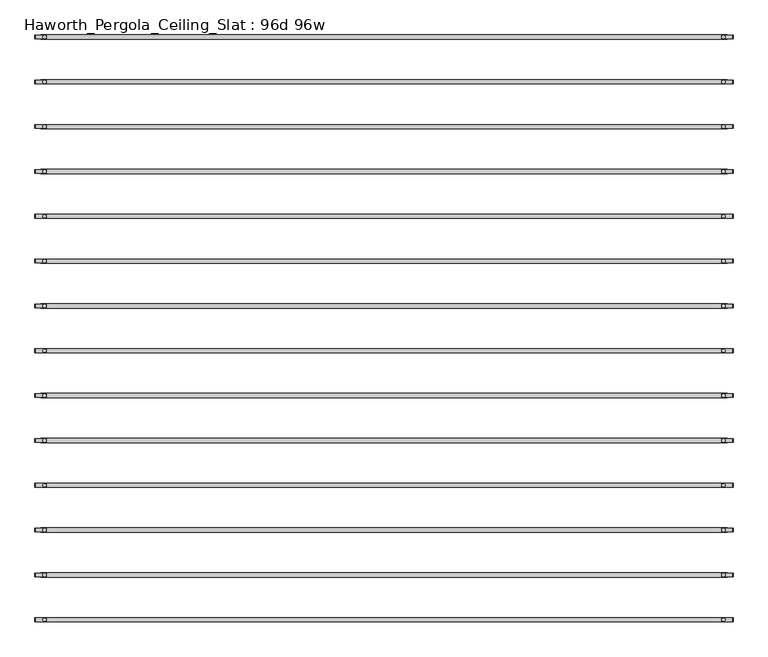
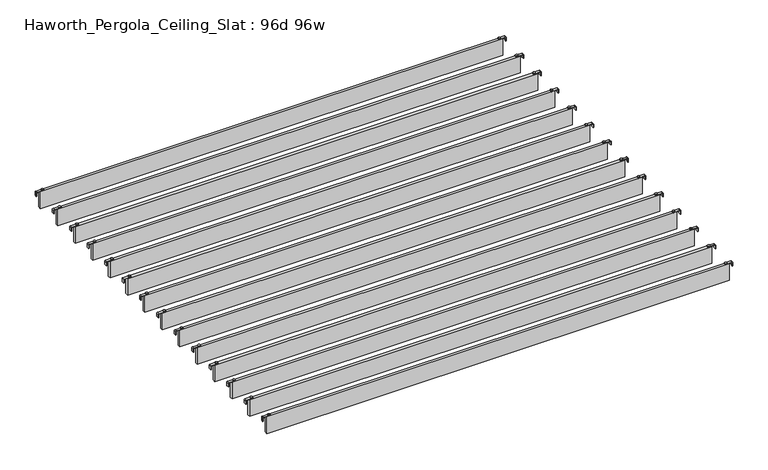
"""IFC4 building model written with IfcOpenShell, lengths in millimetres: furniture geometry, Haworth_Pergola_Ceiling_Slat : 96d 96w."""

import ifcopenshell
import ifcopenshell.guid

model = None  # the IFC model being written
_history = None  # IfcOwnerHistory: only IFC2X3 demands one
_inside = {}  # id of a spatial element -> (the spatial element, [elements in it])
_under = {}  # id of a project, library or spatial element -> (it, [spatial elements below it])
_declared = {}  # id of a project -> (the project, [libraries it declares])
_typed = {}  # id of a type object -> (the type object, [elements of that type])
_made_of = {}  # id of a material, layer set ... -> (it, [elements and type objects made of it])


def new_model(schema):
    """Start an empty IFC model of exactly this schema.

    Asked for "IFC4X3", IfcOpenShell would pick the latest addendum, in which some entities
    have other attributes; the version numbers below select the first issue.
    IFC2X3 requires an IfcOwnerHistory on every rooted entity: one is made here for all.
    """
    global model, _history
    if schema == "IFC4X3":
        model = ifcopenshell.file(schema_version=(4, 3, 0, 0))
    else:
        model = ifcopenshell.file(schema=schema)
    _inside.clear()
    _under.clear()
    _declared.clear()
    _typed.clear()
    _made_of.clear()
    _history = None
    if model.schema == "IFC2X3":
        org = make("IfcOrganization", Name="unknown")
        user = make(
            "IfcPersonAndOrganization",
            ThePerson=make("IfcPerson", FamilyName="unknown"),
            TheOrganization=org,
        )
        app = make(
            "IfcApplication",
            ApplicationDeveloper=org,
            Version="unknown",
            ApplicationFullName="unknown",
            ApplicationIdentifier="unknown",
        )
        _history = make(
            "IfcOwnerHistory",
            OwningUser=user,
            OwningApplication=app,
            ChangeAction="ADDED",
            CreationDate=0,
        )
    return model


def make(cls, **values):
    """One entity of the class cls with the attributes given. An attribute that is None is left unset."""
    return model.create_entity(
        cls, **{name: value for name, value in values.items() if value is not None}
    )


def rooted(cls, **values):
    """An entity with a GlobalId (a new one), such as an element, a storey or a relation."""
    return make(cls, GlobalId=ifcopenshell.guid.new(), OwnerHistory=_history, **values)


def si_unit(unit_type, name, prefix=None):
    """IfcSIUnit, for example si_unit("LENGTHUNIT", "METRE", prefix="MILLI")."""
    return make("IfcSIUnit", UnitType=unit_type, Prefix=prefix, Name=name)


def assignment(units):
    """IfcUnitAssignment: the units of a project."""
    return None if units is None else make("IfcUnitAssignment", Units=units)


def point(xyz):
    """IfcCartesianPoint."""
    return None if xyz is None else make("IfcCartesianPoint", Coordinates=xyz)


def direction(xyz):
    """IfcDirection."""
    return None if xyz is None else make("IfcDirection", DirectionRatios=xyz)


def frame(location, z_axis=None, x_axis=None):
    """IfcAxis2Placement3D, a coordinate frame: its origin and axes. An axis left out is left unset."""
    return make(
        "IfcAxis2Placement3D",
        Location=point(location),
        Axis=direction(z_axis),
        RefDirection=direction(x_axis),
    )


def frame_2d(location, x_axis=None):
    """IfcAxis2Placement2D, a coordinate frame in the plane: its origin and x axis."""
    return make(
        "IfcAxis2Placement2D", Location=point(location), RefDirection=direction(x_axis)
    )


def origin():
    """The frame at (0, 0, 0) with its axes left unset."""
    return frame((0.0, 0.0, 0.0))


def place(relative_to, where):
    """IfcLocalPlacement: puts the frame where relative to a parent placement (None: the world)."""
    return make(
        "IfcLocalPlacement", PlacementRelTo=relative_to, RelativePlacement=where
    )


def context(
    kind, dimensions, precision=None, world=None, true_north=None, identifier=None
):
    """IfcGeometricRepresentationContext, for example the 3D "Model" context."""
    return make(
        "IfcGeometricRepresentationContext",
        ContextIdentifier=identifier,
        ContextType=kind,
        CoordinateSpaceDimension=dimensions,
        Precision=precision,
        WorldCoordinateSystem=world,
        TrueNorth=true_north,
    )


def project(units=None, contexts=None):
    """IfcProject with its units and contexts."""
    return rooted(
        "IfcProject",
        Name="project",
        RepresentationContexts=contexts,
        UnitsInContext=assignment(units),
    )


def spatial(cls, under=None, at=None, **own):
    """A site, building, storey or space (cls), placed at a placement, below another one or the project."""
    s = rooted(cls, ObjectPlacement=at, **own)
    if under is not None:
        _under.setdefault(under.id(), (under, []))[1].append(s)
    return s


def polyline(points):
    """IfcPolyline through the points."""
    return make("IfcPolyline", Points=[point(p) for p in points])


def circle_curve(where, radius):
    """IfcCircle in the frame where."""
    return make("IfcCircle", Position=where, Radius=radius)


def trimmed(basis, trim1, trim2, sense, master):
    """IfcTrimmedCurve: the piece of a basis curve between two trims."""
    return make(
        "IfcTrimmedCurve",
        BasisCurve=basis,
        Trim1=trim1,
        Trim2=trim2,
        SenseAgreement=sense,
        MasterRepresentation=master,
    )


def segment(curve, same_sense, transition):
    """IfcCompositeCurveSegment."""
    return make(
        "IfcCompositeCurveSegment",
        Transition=transition,
        SameSense=same_sense,
        ParentCurve=curve,
    )


def composite_curve(segments, self_intersect=None):
    """IfcCompositeCurve: segments joined end to end."""
    return make("IfcCompositeCurve", Segments=segments, SelfIntersect=self_intersect)


def outline(outer, holes=None, kind="AREA"):
    """IfcArbitraryClosedProfileDef: a profile drawn as a closed curve; with holes, ...WithVoids."""
    if holes is None:
        return make("IfcArbitraryClosedProfileDef", ProfileType=kind, OuterCurve=outer)
    return make(
        "IfcArbitraryProfileDefWithVoids",
        ProfileType=kind,
        OuterCurve=outer,
        InnerCurves=holes,
    )


def extrude(swept, where, along, depth):
    """IfcExtrudedAreaSolid: the profile swept, set in the frame where, extruded along a direction by depth."""
    return make(
        "IfcExtrudedAreaSolid",
        SweptArea=swept,
        Position=where,
        ExtrudedDirection=direction(along),
        Depth=depth,
    )


def shape(context_of_items, identifier, shape_type, items):
    """IfcShapeRepresentation: the items that make up one representation, for example the "Body"."""
    return make(
        "IfcShapeRepresentation",
        ContextOfItems=context_of_items,
        RepresentationIdentifier=identifier,
        RepresentationType=shape_type,
        Items=items,
    )


def source(mapping_origin, context_of_items, identifier, shape_type, items):
    """IfcRepresentationMap: a shape defined once, which mapped items show again and again."""
    return make(
        "IfcRepresentationMap",
        MappingOrigin=mapping_origin,
        MappedRepresentation=shape(context_of_items, identifier, shape_type, items),
    )


def transform(
    local_origin,
    x_axis=None,
    y_axis=None,
    z_axis=None,
    scale=None,
    scale2=None,
    scale3=None,
    uniform=True,
):
    """IfcCartesianTransformationOperator3D, or its non-uniform kind. x_axis, y_axis, z_axis: its Axis1, 2, 3."""
    if uniform:
        return make(
            "IfcCartesianTransformationOperator3D",
            Axis1=direction(x_axis),
            Axis2=direction(y_axis),
            LocalOrigin=point(local_origin),
            Scale=scale,
            Axis3=direction(z_axis),
        )
    return make(
        "IfcCartesianTransformationOperator3DnonUniform",
        Axis1=direction(x_axis),
        Axis2=direction(y_axis),
        LocalOrigin=point(local_origin),
        Scale=scale,
        Axis3=direction(z_axis),
        Scale2=scale2,
        Scale3=scale3,
    )


def mapped(mapping_source, mapping_target):
    """IfcMappedItem: shows the shape of a source again, moved by a transform."""
    return make(
        "IfcMappedItem", MappingSource=mapping_source, MappingTarget=mapping_target
    )


def made_of(thing, what):
    """Note that an element or type object is made of a material, layer set ...; save() writes the relation."""
    if what is not None:
        _made_of.setdefault(what.id(), (what, []))[1].append(thing)
    return thing


def element(
    cls,
    number,
    at=None,
    inside=None,
    cuts=None,
    type_object=None,
    material=None,
    context=None,
    identifier="Body",
    shape_type=None,
    held_by="IfcProductDefinitionShape",
    body=None,
    shapes=None,
    **own,
):
    """One element of the class cls, such as IfcWall. Its Tag is "e" and its number.

    at: its placement. inside: the storey or other place that contains it. cuts: it is an
    opening in that element (IfcRelVoidsElement). A single representation is given by context,
    identifier, shape_type and body (its items); several are given by shapes. held_by: the class
    of the entity that holds the representations. save() writes the other relations.
    """
    e = rooted(cls, Tag="e%d" % number, ObjectPlacement=at, **own)
    if body is not None:
        shapes = [shape(context, identifier, shape_type, body)]
    if shapes is not None:
        e.Representation = make(held_by, Representations=shapes)
    if inside is not None:
        _inside.setdefault(inside.id(), (inside, []))[1].append(e)
    if cuts is not None:
        rooted(
            "IfcRelVoidsElement", RelatingBuildingElement=cuts, RelatedOpeningElement=e
        )
    if type_object is not None:
        _typed.setdefault(type_object.id(), (type_object, []))[1].append(e)
    return made_of(e, material)


def aggregate(whole, parts):
    """IfcRelAggregates: a whole, such as a stair, and the parts it consists of."""
    return rooted("IfcRelAggregates", RelatingObject=whole, RelatedObjects=parts)


def save(model, path):
    """Write the relations noted so far, then the file.

    IfcRelAggregates (storeys below a building ...), IfcRelContainedInSpatialStructure (elements
    in a storey), IfcRelDefinesByType, IfcRelAssociatesMaterial and IfcRelDeclares: one each for
    every whole, place, type object, material and project.
    """
    for whole, parts in _under.values():
        aggregate(whole, parts)
    for where, things in _inside.values():
        rooted(
            "IfcRelContainedInSpatialStructure",
            RelatedElements=things,
            RelatingStructure=where,
        )
    for kind, things in _typed.values():
        rooted("IfcRelDefinesByType", RelatedObjects=things, RelatingType=kind)
    for what, things in _made_of.values():
        rooted("IfcRelAssociatesMaterial", RelatedObjects=things, RelatingMaterial=what)
    for by, libraries in _declared.values():
        rooted("IfcRelDeclares", RelatingContext=by, RelatedDefinitions=libraries)
    model.write(path)


def haworth_pergola_ceiling_slat_96d_96w_e976ed0a(model_context):
    return source(origin(), model_context, "Body", "SweptSolid", [
        extrude(outline(composite_curve([segment(trimmed(circle_curve(frame_2d((1243.6, -304.0803333)), 5.9838099), [point((1237.6161901, -304.0803333))], [point((1249.5838099, -304.0803333))], False, "CARTESIAN"), True, "CONTINUOUS"), segment(trimmed(circle_curve(frame_2d((1243.6, -304.0803333)), 5.9838099), [point((1249.5838099, -304.0803333))], [point((1237.6161901, -304.0803333))], False, "CARTESIAN"), True, "CONTINUOUS")], self_intersect=False)), frame((0.0, 0.0, 2440.9329992), z_axis=(0.0, 0.0, 1.0), x_axis=(1.0, 0.0, 0.0)), (0.0, 0.0, 1.0), 3.4400008),
        extrude(outline(composite_curve([segment(trimmed(circle_curve(frame_2d((-1167.4, -304.0803333)), 5.9838099), [point((-1161.4161901, -304.0803333))], [point((-1173.3838099, -304.0803333))], False, "CARTESIAN"), True, "CONTINUOUS"), segment(trimmed(circle_curve(frame_2d((-1167.4, -304.0803333)), 5.9838099), [point((-1173.3838099, -304.0803333))], [point((-1161.4161901, -304.0803333))], False, "CARTESIAN"), True, "CONTINUOUS")], self_intersect=False)), frame((0.0, 0.0, 2440.9329992), z_axis=(0.0, 0.0, 1.0), x_axis=(1.0, 0.0, 0.0)), (0.0, 0.0, 1.0), 3.4400008),
        extrude(outline(composite_curve([segment(polyline([(2419.2231711, 1277.76), (2437.2499992, 1277.76)]), True, "CONTINUOUS"), segment(trimmed(circle_curve(frame_2d((2437.2499992, 1274.077)), 3.683), [point((2437.2499992, 1277.76))], [point((2440.9329992, 1274.077))], False, "CARTESIAN"), True, "CONTINUOUS"), segment(polyline([(2440.9329992, 1274.077), (2440.9329992, 1237.1), (2438.2729997, 1237.1), (2438.2729997, 1274.0905568)]), True, "CONTINUOUS"), segment(trimmed(circle_curve(frame_2d((2437.2635571, 1274.0905568)), 1.0094425), [point((2438.2729997, 1274.0905568))], [point((2437.2635571, 1275.0999993))], True, "CARTESIAN"), True, "CONTINUOUS"), segment(polyline([(2437.2635571, 1275.0999993), (2419.2231711, 1275.0999993), (2419.2231711, 1277.76)]), True, "CONTINUOUS")], self_intersect=False)), frame((0.0, -310.5733337, 0.0), z_axis=(0.0, 1.0, 0.0), x_axis=(0.0, 0.0, 1.0)), (0.0, 0.0, 1.0), 13.0),
        extrude(outline(composite_curve([segment(polyline([(2419.2231711, -1201.56), (2419.2231711, -1198.8999993), (2437.2635571, -1198.8999993)]), True, "CONTINUOUS"), segment(trimmed(circle_curve(frame_2d((2437.2635571, -1197.8905568)), 1.0094425), [point((2437.2635571, -1198.8999993))], [point((2438.2729997, -1197.8905568))], True, "CARTESIAN"), True, "CONTINUOUS"), segment(polyline([(2438.2729997, -1197.8905568), (2438.2729997, -1160.9), (2440.9329992, -1160.9), (2440.9329992, -1197.877)]), True, "CONTINUOUS"), segment(trimmed(circle_curve(frame_2d((2437.2499992, -1197.877)), 3.683), [point((2440.9329992, -1197.877))], [point((2437.2499992, -1201.56))], False, "CARTESIAN"), True, "CONTINUOUS"), segment(polyline([(2437.2499992, -1201.56), (2419.2231711, -1201.56)]), True, "CONTINUOUS")], self_intersect=False)), frame((0.0, -310.5733337, 0.0), z_axis=(0.0, 1.0, 0.0), x_axis=(0.0, 0.0, 1.0)), (0.0, 0.0, 1.0), 13.0),
        extrude(outline(polyline([(-1181.1, -311.5733333), (-1181.1, -296.5873333), (1257.3, -296.5873333), (1257.3, -311.5733333), (-1181.1, -311.5733333)])), frame((0.0, 0.0, 2346.198), z_axis=(0.0, 0.0, 1.0), x_axis=(1.0, 0.0, 0.0)), (0.0, 0.0, 1.0), 92.202),
        extrude(outline(composite_curve([segment(trimmed(circle_curve(frame_2d((1243.6, -463.2536667)), 5.9838099), [point((1237.6161901, -463.2536667))], [point((1249.5838099, -463.2536667))], False, "CARTESIAN"), True, "CONTINUOUS"), segment(trimmed(circle_curve(frame_2d((1243.6, -463.2536667)), 5.9838099), [point((1249.5838099, -463.2536667))], [point((1237.6161901, -463.2536667))], False, "CARTESIAN"), True, "CONTINUOUS")], self_intersect=False)), frame((0.0, 0.0, 2440.9329992), z_axis=(0.0, 0.0, 1.0), x_axis=(1.0, 0.0, 0.0)), (0.0, 0.0, 1.0), 3.4400008),
        extrude(outline(composite_curve([segment(trimmed(circle_curve(frame_2d((-1167.4, -463.2536667)), 5.9838099), [point((-1161.4161901, -463.2536667))], [point((-1173.3838099, -463.2536667))], False, "CARTESIAN"), True, "CONTINUOUS"), segment(trimmed(circle_curve(frame_2d((-1167.4, -463.2536667)), 5.9838099), [point((-1173.3838099, -463.2536667))], [point((-1161.4161901, -463.2536667))], False, "CARTESIAN"), True, "CONTINUOUS")], self_intersect=False)), frame((0.0, 0.0, 2440.9329992), z_axis=(0.0, 0.0, 1.0), x_axis=(1.0, 0.0, 0.0)), (0.0, 0.0, 1.0), 3.4400008),
        extrude(outline(composite_curve([segment(polyline([(2419.2231711, 1277.76), (2437.2499992, 1277.76)]), True, "CONTINUOUS"), segment(trimmed(circle_curve(frame_2d((2437.2499992, 1274.077)), 3.683), [point((2437.2499992, 1277.76))], [point((2440.9329992, 1274.077))], False, "CARTESIAN"), True, "CONTINUOUS"), segment(polyline([(2440.9329992, 1274.077), (2440.9329992, 1237.1), (2438.2729997, 1237.1), (2438.2729997, 1274.0905568)]), True, "CONTINUOUS"), segment(trimmed(circle_curve(frame_2d((2437.2635571, 1274.0905568)), 1.0094425), [point((2438.2729997, 1274.0905568))], [point((2437.2635571, 1275.0999993))], True, "CARTESIAN"), True, "CONTINUOUS"), segment(polyline([(2437.2635571, 1275.0999993), (2419.2231711, 1275.0999993), (2419.2231711, 1277.76)]), True, "CONTINUOUS")], self_intersect=False)), frame((0.0, -469.746667, 0.0), z_axis=(0.0, 1.0, 0.0), x_axis=(0.0, 0.0, 1.0)), (0.0, 0.0, 1.0), 13.0),
        extrude(outline(composite_curve([segment(polyline([(2419.2231711, -1201.56), (2419.2231711, -1198.8999993), (2437.2635571, -1198.8999993)]), True, "CONTINUOUS"), segment(trimmed(circle_curve(frame_2d((2437.2635571, -1197.8905568)), 1.0094425), [point((2437.2635571, -1198.8999993))], [point((2438.2729997, -1197.8905568))], True, "CARTESIAN"), True, "CONTINUOUS"), segment(polyline([(2438.2729997, -1197.8905568), (2438.2729997, -1160.9), (2440.9329992, -1160.9), (2440.9329992, -1197.877)]), True, "CONTINUOUS"), segment(trimmed(circle_curve(frame_2d((2437.2499992, -1197.877)), 3.683), [point((2440.9329992, -1197.877))], [point((2437.2499992, -1201.56))], False, "CARTESIAN"), True, "CONTINUOUS"), segment(polyline([(2437.2499992, -1201.56), (2419.2231711, -1201.56)]), True, "CONTINUOUS")], self_intersect=False)), frame((0.0, -469.746667, 0.0), z_axis=(0.0, 1.0, 0.0), x_axis=(0.0, 0.0, 1.0)), (0.0, 0.0, 1.0), 13.0),
        extrude(outline(polyline([(-1181.1, -470.7466667), (-1181.1, -455.7606667), (1257.3, -455.7606667), (1257.3, -470.7466667), (-1181.1, -470.7466667)])), frame((0.0, 0.0, 2346.198), z_axis=(0.0, 0.0, 1.0), x_axis=(1.0, 0.0, 0.0)), (0.0, 0.0, 1.0), 92.202),
        extrude(outline(composite_curve([segment(trimmed(circle_curve(frame_2d((1243.6, -622.427)), 5.9838099), [point((1237.6161901, -622.427))], [point((1249.5838099, -622.427))], False, "CARTESIAN"), True, "CONTINUOUS"), segment(trimmed(circle_curve(frame_2d((1243.6, -622.427)), 5.9838099), [point((1249.5838099, -622.427))], [point((1237.6161901, -622.427))], False, "CARTESIAN"), True, "CONTINUOUS")], self_intersect=False)), frame((0.0, 0.0, 2440.9329992), z_axis=(0.0, 0.0, 1.0), x_axis=(1.0, 0.0, 0.0)), (0.0, 0.0, 1.0), 3.4400008),
        extrude(outline(composite_curve([segment(trimmed(circle_curve(frame_2d((-1167.4, -622.427)), 5.9838099), [point((-1161.4161901, -622.427))], [point((-1173.3838099, -622.427))], False, "CARTESIAN"), True, "CONTINUOUS"), segment(trimmed(circle_curve(frame_2d((-1167.4, -622.427)), 5.9838099), [point((-1173.3838099, -622.427))], [point((-1161.4161901, -622.427))], False, "CARTESIAN"), True, "CONTINUOUS")], self_intersect=False)), frame((0.0, 0.0, 2440.9329992), z_axis=(0.0, 0.0, 1.0), x_axis=(1.0, 0.0, 0.0)), (0.0, 0.0, 1.0), 3.4400008),
        extrude(outline(composite_curve([segment(polyline([(2419.2231711, 1277.76), (2437.2499992, 1277.76)]), True, "CONTINUOUS"), segment(trimmed(circle_curve(frame_2d((2437.2499992, 1274.077)), 3.683), [point((2437.2499992, 1277.76))], [point((2440.9329992, 1274.077))], False, "CARTESIAN"), True, "CONTINUOUS"), segment(polyline([(2440.9329992, 1274.077), (2440.9329992, 1237.1), (2438.2729997, 1237.1), (2438.2729997, 1274.0905568)]), True, "CONTINUOUS"), segment(trimmed(circle_curve(frame_2d((2437.2635571, 1274.0905568)), 1.0094425), [point((2438.2729997, 1274.0905568))], [point((2437.2635571, 1275.0999993))], True, "CARTESIAN"), True, "CONTINUOUS"), segment(polyline([(2437.2635571, 1275.0999993), (2419.2231711, 1275.0999993), (2419.2231711, 1277.76)]), True, "CONTINUOUS")], self_intersect=False)), frame((0.0, -628.9200003, 0.0), z_axis=(0.0, 1.0, 0.0), x_axis=(0.0, 0.0, 1.0)), (0.0, 0.0, 1.0), 13.0),
        extrude(outline(composite_curve([segment(polyline([(2419.2231711, -1201.56), (2419.2231711, -1198.8999993), (2437.2635571, -1198.8999993)]), True, "CONTINUOUS"), segment(trimmed(circle_curve(frame_2d((2437.2635571, -1197.8905568)), 1.0094425), [point((2437.2635571, -1198.8999993))], [point((2438.2729997, -1197.8905568))], True, "CARTESIAN"), True, "CONTINUOUS"), segment(polyline([(2438.2729997, -1197.8905568), (2438.2729997, -1160.9), (2440.9329992, -1160.9), (2440.9329992, -1197.877)]), True, "CONTINUOUS"), segment(trimmed(circle_curve(frame_2d((2437.2499992, -1197.877)), 3.683), [point((2440.9329992, -1197.877))], [point((2437.2499992, -1201.56))], False, "CARTESIAN"), True, "CONTINUOUS"), segment(polyline([(2437.2499992, -1201.56), (2419.2231711, -1201.56)]), True, "CONTINUOUS")], self_intersect=False)), frame((0.0, -628.9200003, 0.0), z_axis=(0.0, 1.0, 0.0), x_axis=(0.0, 0.0, 1.0)), (0.0, 0.0, 1.0), 13.0),
        extrude(outline(polyline([(-1181.1, -629.92), (-1181.1, -614.934), (1257.3, -614.934), (1257.3, -629.92), (-1181.1, -629.92)])), frame((0.0, 0.0, 2346.198), z_axis=(0.0, 0.0, 1.0), x_axis=(1.0, 0.0, 0.0)), (0.0, 0.0, 1.0), 92.202),
        extrude(outline(composite_curve([segment(trimmed(circle_curve(frame_2d((1243.6, -781.6003333)), 5.9838099), [point((1237.6161901, -781.6003333))], [point((1249.5838099, -781.6003333))], False, "CARTESIAN"), True, "CONTINUOUS"), segment(trimmed(circle_curve(frame_2d((1243.6, -781.6003333)), 5.9838099), [point((1249.5838099, -781.6003333))], [point((1237.6161901, -781.6003333))], False, "CARTESIAN"), True, "CONTINUOUS")], self_intersect=False)), frame((0.0, 0.0, 2440.9329992), z_axis=(0.0, 0.0, 1.0), x_axis=(1.0, 0.0, 0.0)), (0.0, 0.0, 1.0), 3.4400008),
        extrude(outline(composite_curve([segment(trimmed(circle_curve(frame_2d((-1167.4, -781.6003333)), 5.9838099), [point((-1161.4161901, -781.6003333))], [point((-1173.3838099, -781.6003333))], False, "CARTESIAN"), True, "CONTINUOUS"), segment(trimmed(circle_curve(frame_2d((-1167.4, -781.6003333)), 5.9838099), [point((-1173.3838099, -781.6003333))], [point((-1161.4161901, -781.6003333))], False, "CARTESIAN"), True, "CONTINUOUS")], self_intersect=False)), frame((0.0, 0.0, 2440.9329992), z_axis=(0.0, 0.0, 1.0), x_axis=(1.0, 0.0, 0.0)), (0.0, 0.0, 1.0), 3.4400008),
        extrude(outline(composite_curve([segment(polyline([(2419.2231711, 1277.76), (2437.2499992, 1277.76)]), True, "CONTINUOUS"), segment(trimmed(circle_curve(frame_2d((2437.2499992, 1274.077)), 3.683), [point((2437.2499992, 1277.76))], [point((2440.9329992, 1274.077))], False, "CARTESIAN"), True, "CONTINUOUS"), segment(polyline([(2440.9329992, 1274.077), (2440.9329992, 1237.1), (2438.2729997, 1237.1), (2438.2729997, 1274.0905568)]), True, "CONTINUOUS"), segment(trimmed(circle_curve(frame_2d((2437.2635571, 1274.0905568)), 1.0094425), [point((2438.2729997, 1274.0905568))], [point((2437.2635571, 1275.0999993))], True, "CARTESIAN"), True, "CONTINUOUS"), segment(polyline([(2437.2635571, 1275.0999993), (2419.2231711, 1275.0999993), (2419.2231711, 1277.76)]), True, "CONTINUOUS")], self_intersect=False)), frame((0.0, -788.0933337, 0.0), z_axis=(0.0, 1.0, 0.0), x_axis=(0.0, 0.0, 1.0)), (0.0, 0.0, 1.0), 13.0),
        extrude(outline(composite_curve([segment(polyline([(2419.2231711, -1201.56), (2419.2231711, -1198.8999993), (2437.2635571, -1198.8999993)]), True, "CONTINUOUS"), segment(trimmed(circle_curve(frame_2d((2437.2635571, -1197.8905568)), 1.0094425), [point((2437.2635571, -1198.8999993))], [point((2438.2729997, -1197.8905568))], True, "CARTESIAN"), True, "CONTINUOUS"), segment(polyline([(2438.2729997, -1197.8905568), (2438.2729997, -1160.9), (2440.9329992, -1160.9), (2440.9329992, -1197.877)]), True, "CONTINUOUS"), segment(trimmed(circle_curve(frame_2d((2437.2499992, -1197.877)), 3.683), [point((2440.9329992, -1197.877))], [point((2437.2499992, -1201.56))], False, "CARTESIAN"), True, "CONTINUOUS"), segment(polyline([(2437.2499992, -1201.56), (2419.2231711, -1201.56)]), True, "CONTINUOUS")], self_intersect=False)), frame((0.0, -788.0933337, 0.0), z_axis=(0.0, 1.0, 0.0), x_axis=(0.0, 0.0, 1.0)), (0.0, 0.0, 1.0), 13.0),
        extrude(outline(polyline([(-1181.1, -789.0933333), (-1181.1, -774.1073333), (1257.3, -774.1073333), (1257.3, -789.0933333), (-1181.1, -789.0933333)])), frame((0.0, 0.0, 2346.198), z_axis=(0.0, 0.0, 1.0), x_axis=(1.0, 0.0, 0.0)), (0.0, 0.0, 1.0), 92.202),
        extrude(outline(composite_curve([segment(trimmed(circle_curve(frame_2d((1243.6, -940.7736667)), 5.9838099), [point((1237.6161901, -940.7736667))], [point((1249.5838099, -940.7736667))], False, "CARTESIAN"), True, "CONTINUOUS"), segment(trimmed(circle_curve(frame_2d((1243.6, -940.7736667)), 5.9838099), [point((1249.5838099, -940.7736667))], [point((1237.6161901, -940.7736667))], False, "CARTESIAN"), True, "CONTINUOUS")], self_intersect=False)), frame((0.0, 0.0, 2440.9329992), z_axis=(0.0, 0.0, 1.0), x_axis=(1.0, 0.0, 0.0)), (0.0, 0.0, 1.0), 3.4400008),
        extrude(outline(composite_curve([segment(trimmed(circle_curve(frame_2d((-1167.4, -940.7736667)), 5.9838099), [point((-1161.4161901, -940.7736667))], [point((-1173.3838099, -940.7736667))], False, "CARTESIAN"), True, "CONTINUOUS"), segment(trimmed(circle_curve(frame_2d((-1167.4, -940.7736667)), 5.9838099), [point((-1173.3838099, -940.7736667))], [point((-1161.4161901, -940.7736667))], False, "CARTESIAN"), True, "CONTINUOUS")], self_intersect=False)), frame((0.0, 0.0, 2440.9329992), z_axis=(0.0, 0.0, 1.0), x_axis=(1.0, 0.0, 0.0)), (0.0, 0.0, 1.0), 3.4400008),
        extrude(outline(composite_curve([segment(polyline([(2419.2231711, 1277.76), (2437.2499992, 1277.76)]), True, "CONTINUOUS"), segment(trimmed(circle_curve(frame_2d((2437.2499992, 1274.077)), 3.683), [point((2437.2499992, 1277.76))], [point((2440.9329992, 1274.077))], False, "CARTESIAN"), True, "CONTINUOUS"), segment(polyline([(2440.9329992, 1274.077), (2440.9329992, 1237.1), (2438.2729997, 1237.1), (2438.2729997, 1274.0905568)]), True, "CONTINUOUS"), segment(trimmed(circle_curve(frame_2d((2437.2635571, 1274.0905568)), 1.0094425), [point((2438.2729997, 1274.0905568))], [point((2437.2635571, 1275.0999993))], True, "CARTESIAN"), True, "CONTINUOUS"), segment(polyline([(2437.2635571, 1275.0999993), (2419.2231711, 1275.0999993), (2419.2231711, 1277.76)]), True, "CONTINUOUS")], self_intersect=False)), frame((0.0, -947.266667, 0.0), z_axis=(0.0, 1.0, 0.0), x_axis=(0.0, 0.0, 1.0)), (0.0, 0.0, 1.0), 13.0),
        extrude(outline(composite_curve([segment(polyline([(2419.2231711, -1201.56), (2419.2231711, -1198.8999993), (2437.2635571, -1198.8999993)]), True, "CONTINUOUS"), segment(trimmed(circle_curve(frame_2d((2437.2635571, -1197.8905568)), 1.0094425), [point((2437.2635571, -1198.8999993))], [point((2438.2729997, -1197.8905568))], True, "CARTESIAN"), True, "CONTINUOUS"), segment(polyline([(2438.2729997, -1197.8905568), (2438.2729997, -1160.9), (2440.9329992, -1160.9), (2440.9329992, -1197.877)]), True, "CONTINUOUS"), segment(trimmed(circle_curve(frame_2d((2437.2499992, -1197.877)), 3.683), [point((2440.9329992, -1197.877))], [point((2437.2499992, -1201.56))], False, "CARTESIAN"), True, "CONTINUOUS"), segment(polyline([(2437.2499992, -1201.56), (2419.2231711, -1201.56)]), True, "CONTINUOUS")], self_intersect=False)), frame((0.0, -947.266667, 0.0), z_axis=(0.0, 1.0, 0.0), x_axis=(0.0, 0.0, 1.0)), (0.0, 0.0, 1.0), 13.0),
        extrude(outline(polyline([(-1181.1, -948.2666667), (-1181.1, -933.2806667), (1257.3, -933.2806667), (1257.3, -948.2666667), (-1181.1, -948.2666667)])), frame((0.0, 0.0, 2346.198), z_axis=(0.0, 0.0, 1.0), x_axis=(1.0, 0.0, 0.0)), (0.0, 0.0, 1.0), 92.202),
        extrude(outline(composite_curve([segment(trimmed(circle_curve(frame_2d((1243.6, -1099.947)), 5.9838099), [point((1237.6161901, -1099.947))], [point((1249.5838099, -1099.947))], False, "CARTESIAN"), True, "CONTINUOUS"), segment(trimmed(circle_curve(frame_2d((1243.6, -1099.947)), 5.9838099), [point((1249.5838099, -1099.947))], [point((1237.6161901, -1099.947))], False, "CARTESIAN"), True, "CONTINUOUS")], self_intersect=False)), frame((0.0, 0.0, 2440.9329992), z_axis=(0.0, 0.0, 1.0), x_axis=(1.0, 0.0, 0.0)), (0.0, 0.0, 1.0), 3.4400008),
        extrude(outline(composite_curve([segment(trimmed(circle_curve(frame_2d((-1167.4, -1099.947)), 5.9838099), [point((-1161.4161901, -1099.947))], [point((-1173.3838099, -1099.947))], False, "CARTESIAN"), True, "CONTINUOUS"), segment(trimmed(circle_curve(frame_2d((-1167.4, -1099.947)), 5.9838099), [point((-1173.3838099, -1099.947))], [point((-1161.4161901, -1099.947))], False, "CARTESIAN"), True, "CONTINUOUS")], self_intersect=False)), frame((0.0, 0.0, 2440.9329992), z_axis=(0.0, 0.0, 1.0), x_axis=(1.0, 0.0, 0.0)), (0.0, 0.0, 1.0), 3.4400008),
        extrude(outline(composite_curve([segment(polyline([(2419.2231711, 1277.76), (2437.2499992, 1277.76)]), True, "CONTINUOUS"), segment(trimmed(circle_curve(frame_2d((2437.2499992, 1274.077)), 3.683), [point((2437.2499992, 1277.76))], [point((2440.9329992, 1274.077))], False, "CARTESIAN"), True, "CONTINUOUS"), segment(polyline([(2440.9329992, 1274.077), (2440.9329992, 1237.1), (2438.2729997, 1237.1), (2438.2729997, 1274.0905568)]), True, "CONTINUOUS"), segment(trimmed(circle_curve(frame_2d((2437.2635571, 1274.0905568)), 1.0094425), [point((2438.2729997, 1274.0905568))], [point((2437.2635571, 1275.0999993))], True, "CARTESIAN"), True, "CONTINUOUS"), segment(polyline([(2437.2635571, 1275.0999993), (2419.2231711, 1275.0999993), (2419.2231711, 1277.76)]), True, "CONTINUOUS")], self_intersect=False)), frame((0.0, -1106.4400003, 0.0), z_axis=(0.0, 1.0, 0.0), x_axis=(0.0, 0.0, 1.0)), (0.0, 0.0, 1.0), 13.0),
        extrude(outline(composite_curve([segment(polyline([(2419.2231711, -1201.56), (2419.2231711, -1198.8999993), (2437.2635571, -1198.8999993)]), True, "CONTINUOUS"), segment(trimmed(circle_curve(frame_2d((2437.2635571, -1197.8905568)), 1.0094425), [point((2437.2635571, -1198.8999993))], [point((2438.2729997, -1197.8905568))], True, "CARTESIAN"), True, "CONTINUOUS"), segment(polyline([(2438.2729997, -1197.8905568), (2438.2729997, -1160.9), (2440.9329992, -1160.9), (2440.9329992, -1197.877)]), True, "CONTINUOUS"), segment(trimmed(circle_curve(frame_2d((2437.2499992, -1197.877)), 3.683), [point((2440.9329992, -1197.877))], [point((2437.2499992, -1201.56))], False, "CARTESIAN"), True, "CONTINUOUS"), segment(polyline([(2437.2499992, -1201.56), (2419.2231711, -1201.56)]), True, "CONTINUOUS")], self_intersect=False)), frame((0.0, -1106.4400003, 0.0), z_axis=(0.0, 1.0, 0.0), x_axis=(0.0, 0.0, 1.0)), (0.0, 0.0, 1.0), 13.0),
        extrude(outline(polyline([(-1181.1, -1107.44), (-1181.1, -1092.454), (1257.3, -1092.454), (1257.3, -1107.44), (-1181.1, -1107.44)])), frame((0.0, 0.0, 2346.198), z_axis=(0.0, 0.0, 1.0), x_axis=(1.0, 0.0, 0.0)), (0.0, 0.0, 1.0), 92.202),
        extrude(outline(composite_curve([segment(trimmed(circle_curve(frame_2d((1243.6, -1259.1203333)), 5.9838099), [point((1237.6161901, -1259.1203333))], [point((1249.5838099, -1259.1203333))], False, "CARTESIAN"), True, "CONTINUOUS"), segment(trimmed(circle_curve(frame_2d((1243.6, -1259.1203333)), 5.9838099), [point((1249.5838099, -1259.1203333))], [point((1237.6161901, -1259.1203333))], False, "CARTESIAN"), True, "CONTINUOUS")], self_intersect=False)), frame((0.0, 0.0, 2440.9329992), z_axis=(0.0, 0.0, 1.0), x_axis=(1.0, 0.0, 0.0)), (0.0, 0.0, 1.0), 3.4400008),
        extrude(outline(composite_curve([segment(trimmed(circle_curve(frame_2d((-1167.4, -1259.1203333)), 5.9838099), [point((-1161.4161901, -1259.1203333))], [point((-1173.3838099, -1259.1203333))], False, "CARTESIAN"), True, "CONTINUOUS"), segment(trimmed(circle_curve(frame_2d((-1167.4, -1259.1203333)), 5.9838099), [point((-1173.3838099, -1259.1203333))], [point((-1161.4161901, -1259.1203333))], False, "CARTESIAN"), True, "CONTINUOUS")], self_intersect=False)), frame((0.0, 0.0, 2440.9329992), z_axis=(0.0, 0.0, 1.0), x_axis=(1.0, 0.0, 0.0)), (0.0, 0.0, 1.0), 3.4400008),
        extrude(outline(composite_curve([segment(polyline([(2419.2231711, 1277.76), (2437.2499992, 1277.76)]), True, "CONTINUOUS"), segment(trimmed(circle_curve(frame_2d((2437.2499992, 1274.077)), 3.683), [point((2437.2499992, 1277.76))], [point((2440.9329992, 1274.077))], False, "CARTESIAN"), True, "CONTINUOUS"), segment(polyline([(2440.9329992, 1274.077), (2440.9329992, 1237.1), (2438.2729997, 1237.1), (2438.2729997, 1274.0905568)]), True, "CONTINUOUS"), segment(trimmed(circle_curve(frame_2d((2437.2635571, 1274.0905568)), 1.0094425), [point((2438.2729997, 1274.0905568))], [point((2437.2635571, 1275.0999993))], True, "CARTESIAN"), True, "CONTINUOUS"), segment(polyline([(2437.2635571, 1275.0999993), (2419.2231711, 1275.0999993), (2419.2231711, 1277.76)]), True, "CONTINUOUS")], self_intersect=False)), frame((0.0, -1265.6133337, 0.0), z_axis=(0.0, 1.0, 0.0), x_axis=(0.0, 0.0, 1.0)), (0.0, 0.0, 1.0), 13.0),
        extrude(outline(composite_curve([segment(polyline([(2419.2231711, -1201.56), (2419.2231711, -1198.8999993), (2437.2635571, -1198.8999993)]), True, "CONTINUOUS"), segment(trimmed(circle_curve(frame_2d((2437.2635571, -1197.8905568)), 1.0094425), [point((2437.2635571, -1198.8999993))], [point((2438.2729997, -1197.8905568))], True, "CARTESIAN"), True, "CONTINUOUS"), segment(polyline([(2438.2729997, -1197.8905568), (2438.2729997, -1160.9), (2440.9329992, -1160.9), (2440.9329992, -1197.877)]), True, "CONTINUOUS"), segment(trimmed(circle_curve(frame_2d((2437.2499992, -1197.877)), 3.683), [point((2440.9329992, -1197.877))], [point((2437.2499992, -1201.56))], False, "CARTESIAN"), True, "CONTINUOUS"), segment(polyline([(2437.2499992, -1201.56), (2419.2231711, -1201.56)]), True, "CONTINUOUS")], self_intersect=False)), frame((0.0, -1265.6133337, 0.0), z_axis=(0.0, 1.0, 0.0), x_axis=(0.0, 0.0, 1.0)), (0.0, 0.0, 1.0), 13.0),
        extrude(outline(polyline([(-1181.1, -1266.6133333), (-1181.1, -1251.6273333), (1257.3, -1251.6273333), (1257.3, -1266.6133333), (-1181.1, -1266.6133333)])), frame((0.0, 0.0, 2346.198), z_axis=(0.0, 0.0, 1.0), x_axis=(1.0, 0.0, 0.0)), (0.0, 0.0, 1.0), 92.202),
        extrude(outline(composite_curve([segment(trimmed(circle_curve(frame_2d((1243.6, -1418.2936667)), 5.9838099), [point((1237.6161901, -1418.2936667))], [point((1249.5838099, -1418.2936667))], False, "CARTESIAN"), True, "CONTINUOUS"), segment(trimmed(circle_curve(frame_2d((1243.6, -1418.2936667)), 5.9838099), [point((1249.5838099, -1418.2936667))], [point((1237.6161901, -1418.2936667))], False, "CARTESIAN"), True, "CONTINUOUS")], self_intersect=False)), frame((0.0, 0.0, 2440.9329992), z_axis=(0.0, 0.0, 1.0), x_axis=(1.0, 0.0, 0.0)), (0.0, 0.0, 1.0), 3.4400008),
        extrude(outline(composite_curve([segment(trimmed(circle_curve(frame_2d((-1167.4, -1418.2936667)), 5.9838099), [point((-1161.4161901, -1418.2936667))], [point((-1173.3838099, -1418.2936667))], False, "CARTESIAN"), True, "CONTINUOUS"), segment(trimmed(circle_curve(frame_2d((-1167.4, -1418.2936667)), 5.9838099), [point((-1173.3838099, -1418.2936667))], [point((-1161.4161901, -1418.2936667))], False, "CARTESIAN"), True, "CONTINUOUS")], self_intersect=False)), frame((0.0, 0.0, 2440.9329992), z_axis=(0.0, 0.0, 1.0), x_axis=(1.0, 0.0, 0.0)), (0.0, 0.0, 1.0), 3.4400008),
        extrude(outline(composite_curve([segment(polyline([(2419.2231711, 1277.76), (2437.2499992, 1277.76)]), True, "CONTINUOUS"), segment(trimmed(circle_curve(frame_2d((2437.2499992, 1274.077)), 3.683), [point((2437.2499992, 1277.76))], [point((2440.9329992, 1274.077))], False, "CARTESIAN"), True, "CONTINUOUS"), segment(polyline([(2440.9329992, 1274.077), (2440.9329992, 1237.1), (2438.2729997, 1237.1), (2438.2729997, 1274.0905568)]), True, "CONTINUOUS"), segment(trimmed(circle_curve(frame_2d((2437.2635571, 1274.0905568)), 1.0094425), [point((2438.2729997, 1274.0905568))], [point((2437.2635571, 1275.0999993))], True, "CARTESIAN"), True, "CONTINUOUS"), segment(polyline([(2437.2635571, 1275.0999993), (2419.2231711, 1275.0999993), (2419.2231711, 1277.76)]), True, "CONTINUOUS")], self_intersect=False)), frame((0.0, -1424.786667, 0.0), z_axis=(0.0, 1.0, 0.0), x_axis=(0.0, 0.0, 1.0)), (0.0, 0.0, 1.0), 13.0),
        extrude(outline(composite_curve([segment(polyline([(2419.2231711, -1201.56), (2419.2231711, -1198.8999993), (2437.2635571, -1198.8999993)]), True, "CONTINUOUS"), segment(trimmed(circle_curve(frame_2d((2437.2635571, -1197.8905568)), 1.0094425), [point((2437.2635571, -1198.8999993))], [point((2438.2729997, -1197.8905568))], True, "CARTESIAN"), True, "CONTINUOUS"), segment(polyline([(2438.2729997, -1197.8905568), (2438.2729997, -1160.9), (2440.9329992, -1160.9), (2440.9329992, -1197.877)]), True, "CONTINUOUS"), segment(trimmed(circle_curve(frame_2d((2437.2499992, -1197.877)), 3.683), [point((2440.9329992, -1197.877))], [point((2437.2499992, -1201.56))], False, "CARTESIAN"), True, "CONTINUOUS"), segment(polyline([(2437.2499992, -1201.56), (2419.2231711, -1201.56)]), True, "CONTINUOUS")], self_intersect=False)), frame((0.0, -1424.786667, 0.0), z_axis=(0.0, 1.0, 0.0), x_axis=(0.0, 0.0, 1.0)), (0.0, 0.0, 1.0), 13.0),
        extrude(outline(polyline([(-1181.1, -1425.7866667), (-1181.1, -1410.8006667), (1257.3, -1410.8006667), (1257.3, -1425.7866667), (-1181.1, -1425.7866667)])), frame((0.0, 0.0, 2346.198), z_axis=(0.0, 0.0, 1.0), x_axis=(1.0, 0.0, 0.0)), (0.0, 0.0, 1.0), 92.202),
        extrude(outline(composite_curve([segment(trimmed(circle_curve(frame_2d((1243.6, -1577.467)), 5.9838099), [point((1237.6161901, -1577.467))], [point((1249.5838099, -1577.467))], False, "CARTESIAN"), True, "CONTINUOUS"), segment(trimmed(circle_curve(frame_2d((1243.6, -1577.467)), 5.9838099), [point((1249.5838099, -1577.467))], [point((1237.6161901, -1577.467))], False, "CARTESIAN"), True, "CONTINUOUS")], self_intersect=False)), frame((0.0, 0.0, 2440.9329992), z_axis=(0.0, 0.0, 1.0), x_axis=(1.0, 0.0, 0.0)), (0.0, 0.0, 1.0), 3.4400008),
        extrude(outline(composite_curve([segment(trimmed(circle_curve(frame_2d((-1167.4, -1577.467)), 5.9838099), [point((-1161.4161901, -1577.467))], [point((-1173.3838099, -1577.467))], False, "CARTESIAN"), True, "CONTINUOUS"), segment(trimmed(circle_curve(frame_2d((-1167.4, -1577.467)), 5.9838099), [point((-1173.3838099, -1577.467))], [point((-1161.4161901, -1577.467))], False, "CARTESIAN"), True, "CONTINUOUS")], self_intersect=False)), frame((0.0, 0.0, 2440.9329992), z_axis=(0.0, 0.0, 1.0), x_axis=(1.0, 0.0, 0.0)), (0.0, 0.0, 1.0), 3.4400008),
        extrude(outline(composite_curve([segment(polyline([(2419.2231711, 1277.76), (2437.2499992, 1277.76)]), True, "CONTINUOUS"), segment(trimmed(circle_curve(frame_2d((2437.2499992, 1274.077)), 3.683), [point((2437.2499992, 1277.76))], [point((2440.9329992, 1274.077))], False, "CARTESIAN"), True, "CONTINUOUS"), segment(polyline([(2440.9329992, 1274.077), (2440.9329992, 1237.1), (2438.2729997, 1237.1), (2438.2729997, 1274.0905568)]), True, "CONTINUOUS"), segment(trimmed(circle_curve(frame_2d((2437.2635571, 1274.0905568)), 1.0094425), [point((2438.2729997, 1274.0905568))], [point((2437.2635571, 1275.0999993))], True, "CARTESIAN"), True, "CONTINUOUS"), segment(polyline([(2437.2635571, 1275.0999993), (2419.2231711, 1275.0999993), (2419.2231711, 1277.76)]), True, "CONTINUOUS")], self_intersect=False)), frame((0.0, -1583.9600003, 0.0), z_axis=(0.0, 1.0, 0.0), x_axis=(0.0, 0.0, 1.0)), (0.0, 0.0, 1.0), 13.0),
        extrude(outline(composite_curve([segment(polyline([(2419.2231711, -1201.56), (2419.2231711, -1198.8999993), (2437.2635571, -1198.8999993)]), True, "CONTINUOUS"), segment(trimmed(circle_curve(frame_2d((2437.2635571, -1197.8905568)), 1.0094425), [point((2437.2635571, -1198.8999993))], [point((2438.2729997, -1197.8905568))], True, "CARTESIAN"), True, "CONTINUOUS"), segment(polyline([(2438.2729997, -1197.8905568), (2438.2729997, -1160.9), (2440.9329992, -1160.9), (2440.9329992, -1197.877)]), True, "CONTINUOUS"), segment(trimmed(circle_curve(frame_2d((2437.2499992, -1197.877)), 3.683), [point((2440.9329992, -1197.877))], [point((2437.2499992, -1201.56))], False, "CARTESIAN"), True, "CONTINUOUS"), segment(polyline([(2437.2499992, -1201.56), (2419.2231711, -1201.56)]), True, "CONTINUOUS")], self_intersect=False)), frame((0.0, -1583.9600003, 0.0), z_axis=(0.0, 1.0, 0.0), x_axis=(0.0, 0.0, 1.0)), (0.0, 0.0, 1.0), 13.0),
        extrude(outline(polyline([(-1181.1, -1584.96), (-1181.1, -1569.974), (1257.3, -1569.974), (1257.3, -1584.96), (-1181.1, -1584.96)])), frame((0.0, 0.0, 2346.198), z_axis=(0.0, 0.0, 1.0), x_axis=(1.0, 0.0, 0.0)), (0.0, 0.0, 1.0), 92.202),
        extrude(outline(composite_curve([segment(trimmed(circle_curve(frame_2d((1243.6, -1736.6403333)), 5.9838099), [point((1237.6161901, -1736.6403333))], [point((1249.5838099, -1736.6403333))], False, "CARTESIAN"), True, "CONTINUOUS"), segment(trimmed(circle_curve(frame_2d((1243.6, -1736.6403333)), 5.9838099), [point((1249.5838099, -1736.6403333))], [point((1237.6161901, -1736.6403333))], False, "CARTESIAN"), True, "CONTINUOUS")], self_intersect=False)), frame((0.0, 0.0, 2440.9329992), z_axis=(0.0, 0.0, 1.0), x_axis=(1.0, 0.0, 0.0)), (0.0, 0.0, 1.0), 3.4400008),
        extrude(outline(composite_curve([segment(trimmed(circle_curve(frame_2d((-1167.4, -1736.6403333)), 5.9838099), [point((-1161.4161901, -1736.6403333))], [point((-1173.3838099, -1736.6403333))], False, "CARTESIAN"), True, "CONTINUOUS"), segment(trimmed(circle_curve(frame_2d((-1167.4, -1736.6403333)), 5.9838099), [point((-1173.3838099, -1736.6403333))], [point((-1161.4161901, -1736.6403333))], False, "CARTESIAN"), True, "CONTINUOUS")], self_intersect=False)), frame((0.0, 0.0, 2440.9329992), z_axis=(0.0, 0.0, 1.0), x_axis=(1.0, 0.0, 0.0)), (0.0, 0.0, 1.0), 3.4400008),
        extrude(outline(composite_curve([segment(polyline([(2419.2231711, 1277.76), (2437.2499992, 1277.76)]), True, "CONTINUOUS"), segment(trimmed(circle_curve(frame_2d((2437.2499992, 1274.077)), 3.683), [point((2437.2499992, 1277.76))], [point((2440.9329992, 1274.077))], False, "CARTESIAN"), True, "CONTINUOUS"), segment(polyline([(2440.9329992, 1274.077), (2440.9329992, 1237.1), (2438.2729997, 1237.1), (2438.2729997, 1274.0905568)]), True, "CONTINUOUS"), segment(trimmed(circle_curve(frame_2d((2437.2635571, 1274.0905568)), 1.0094425), [point((2438.2729997, 1274.0905568))], [point((2437.2635571, 1275.0999993))], True, "CARTESIAN"), True, "CONTINUOUS"), segment(polyline([(2437.2635571, 1275.0999993), (2419.2231711, 1275.0999993), (2419.2231711, 1277.76)]), True, "CONTINUOUS")], self_intersect=False)), frame((0.0, -1743.1333337, 0.0), z_axis=(0.0, 1.0, 0.0), x_axis=(0.0, 0.0, 1.0)), (0.0, 0.0, 1.0), 13.0),
        extrude(outline(composite_curve([segment(polyline([(2419.2231711, -1201.56), (2419.2231711, -1198.8999993), (2437.2635571, -1198.8999993)]), True, "CONTINUOUS"), segment(trimmed(circle_curve(frame_2d((2437.2635571, -1197.8905568)), 1.0094425), [point((2437.2635571, -1198.8999993))], [point((2438.2729997, -1197.8905568))], True, "CARTESIAN"), True, "CONTINUOUS"), segment(polyline([(2438.2729997, -1197.8905568), (2438.2729997, -1160.9), (2440.9329992, -1160.9), (2440.9329992, -1197.877)]), True, "CONTINUOUS"), segment(trimmed(circle_curve(frame_2d((2437.2499992, -1197.877)), 3.683), [point((2440.9329992, -1197.877))], [point((2437.2499992, -1201.56))], False, "CARTESIAN"), True, "CONTINUOUS"), segment(polyline([(2437.2499992, -1201.56), (2419.2231711, -1201.56)]), True, "CONTINUOUS")], self_intersect=False)), frame((0.0, -1743.1333337, 0.0), z_axis=(0.0, 1.0, 0.0), x_axis=(0.0, 0.0, 1.0)), (0.0, 0.0, 1.0), 13.0),
        extrude(outline(polyline([(-1181.1, -1744.1333333), (-1181.1, -1729.1473333), (1257.3, -1729.1473333), (1257.3, -1744.1333333), (-1181.1, -1744.1333333)])), frame((0.0, 0.0, 2346.198), z_axis=(0.0, 0.0, 1.0), x_axis=(1.0, 0.0, 0.0)), (0.0, 0.0, 1.0), 92.202),
        extrude(outline(composite_curve([segment(trimmed(circle_curve(frame_2d((1243.6, -1895.8136667)), 5.9838099), [point((1237.6161901, -1895.8136667))], [point((1249.5838099, -1895.8136667))], False, "CARTESIAN"), True, "CONTINUOUS"), segment(trimmed(circle_curve(frame_2d((1243.6, -1895.8136667)), 5.9838099), [point((1249.5838099, -1895.8136667))], [point((1237.6161901, -1895.8136667))], False, "CARTESIAN"), True, "CONTINUOUS")], self_intersect=False)), frame((0.0, 0.0, 2440.9329992), z_axis=(0.0, 0.0, 1.0), x_axis=(1.0, 0.0, 0.0)), (0.0, 0.0, 1.0), 3.4400008),
        extrude(outline(composite_curve([segment(trimmed(circle_curve(frame_2d((-1167.4, -1895.8136667)), 5.9838099), [point((-1161.4161901, -1895.8136667))], [point((-1173.3838099, -1895.8136667))], False, "CARTESIAN"), True, "CONTINUOUS"), segment(trimmed(circle_curve(frame_2d((-1167.4, -1895.8136667)), 5.9838099), [point((-1173.3838099, -1895.8136667))], [point((-1161.4161901, -1895.8136667))], False, "CARTESIAN"), True, "CONTINUOUS")], self_intersect=False)), frame((0.0, 0.0, 2440.9329992), z_axis=(0.0, 0.0, 1.0), x_axis=(1.0, 0.0, 0.0)), (0.0, 0.0, 1.0), 3.4400008),
        extrude(outline(composite_curve([segment(polyline([(2419.2231711, 1277.76), (2437.2499992, 1277.76)]), True, "CONTINUOUS"), segment(trimmed(circle_curve(frame_2d((2437.2499992, 1274.077)), 3.683), [point((2437.2499992, 1277.76))], [point((2440.9329992, 1274.077))], False, "CARTESIAN"), True, "CONTINUOUS"), segment(polyline([(2440.9329992, 1274.077), (2440.9329992, 1237.1), (2438.2729997, 1237.1), (2438.2729997, 1274.0905568)]), True, "CONTINUOUS"), segment(trimmed(circle_curve(frame_2d((2437.2635571, 1274.0905568)), 1.0094425), [point((2438.2729997, 1274.0905568))], [point((2437.2635571, 1275.0999993))], True, "CARTESIAN"), True, "CONTINUOUS"), segment(polyline([(2437.2635571, 1275.0999993), (2419.2231711, 1275.0999993), (2419.2231711, 1277.76)]), True, "CONTINUOUS")], self_intersect=False)), frame((0.0, -1902.306667, 0.0), z_axis=(0.0, 1.0, 0.0), x_axis=(0.0, 0.0, 1.0)), (0.0, 0.0, 1.0), 13.0),
        extrude(outline(composite_curve([segment(polyline([(2419.2231711, -1201.56), (2419.2231711, -1198.8999993), (2437.2635571, -1198.8999993)]), True, "CONTINUOUS"), segment(trimmed(circle_curve(frame_2d((2437.2635571, -1197.8905568)), 1.0094425), [point((2437.2635571, -1198.8999993))], [point((2438.2729997, -1197.8905568))], True, "CARTESIAN"), True, "CONTINUOUS"), segment(polyline([(2438.2729997, -1197.8905568), (2438.2729997, -1160.9), (2440.9329992, -1160.9), (2440.9329992, -1197.877)]), True, "CONTINUOUS"), segment(trimmed(circle_curve(frame_2d((2437.2499992, -1197.877)), 3.683), [point((2440.9329992, -1197.877))], [point((2437.2499992, -1201.56))], False, "CARTESIAN"), True, "CONTINUOUS"), segment(polyline([(2437.2499992, -1201.56), (2419.2231711, -1201.56)]), True, "CONTINUOUS")], self_intersect=False)), frame((0.0, -1902.306667, 0.0), z_axis=(0.0, 1.0, 0.0), x_axis=(0.0, 0.0, 1.0)), (0.0, 0.0, 1.0), 13.0),
        extrude(outline(polyline([(-1181.1, -1903.3066667), (-1181.1, -1888.3206667), (1257.3, -1888.3206667), (1257.3, -1903.3066667), (-1181.1, -1903.3066667)])), frame((0.0, 0.0, 2346.198), z_axis=(0.0, 0.0, 1.0), x_axis=(1.0, 0.0, 0.0)), (0.0, 0.0, 1.0), 92.202),
        extrude(outline(composite_curve([segment(trimmed(circle_curve(frame_2d((1243.6, -2054.987)), 5.9838099), [point((1237.6161901, -2054.987))], [point((1249.5838099, -2054.987))], False, "CARTESIAN"), True, "CONTINUOUS"), segment(trimmed(circle_curve(frame_2d((1243.6, -2054.987)), 5.9838099), [point((1249.5838099, -2054.987))], [point((1237.6161901, -2054.987))], False, "CARTESIAN"), True, "CONTINUOUS")], self_intersect=False)), frame((0.0, 0.0, 2440.9329992), z_axis=(0.0, 0.0, 1.0), x_axis=(1.0, 0.0, 0.0)), (0.0, 0.0, 1.0), 3.4400008),
        extrude(outline(composite_curve([segment(trimmed(circle_curve(frame_2d((-1167.4, -2054.987)), 5.9838099), [point((-1161.4161901, -2054.987))], [point((-1173.3838099, -2054.987))], False, "CARTESIAN"), True, "CONTINUOUS"), segment(trimmed(circle_curve(frame_2d((-1167.4, -2054.987)), 5.9838099), [point((-1173.3838099, -2054.987))], [point((-1161.4161901, -2054.987))], False, "CARTESIAN"), True, "CONTINUOUS")], self_intersect=False)), frame((0.0, 0.0, 2440.9329992), z_axis=(0.0, 0.0, 1.0), x_axis=(1.0, 0.0, 0.0)), (0.0, 0.0, 1.0), 3.4400008),
        extrude(outline(composite_curve([segment(polyline([(2419.2231711, 1277.76), (2437.2499992, 1277.76)]), True, "CONTINUOUS"), segment(trimmed(circle_curve(frame_2d((2437.2499992, 1274.077)), 3.683), [point((2437.2499992, 1277.76))], [point((2440.9329992, 1274.077))], False, "CARTESIAN"), True, "CONTINUOUS"), segment(polyline([(2440.9329992, 1274.077), (2440.9329992, 1237.1), (2438.2729997, 1237.1), (2438.2729997, 1274.0905568)]), True, "CONTINUOUS"), segment(trimmed(circle_curve(frame_2d((2437.2635571, 1274.0905568)), 1.0094425), [point((2438.2729997, 1274.0905568))], [point((2437.2635571, 1275.0999993))], True, "CARTESIAN"), True, "CONTINUOUS"), segment(polyline([(2437.2635571, 1275.0999993), (2419.2231711, 1275.0999993), (2419.2231711, 1277.76)]), True, "CONTINUOUS")], self_intersect=False)), frame((0.0, -2061.4800003, 0.0), z_axis=(0.0, 1.0, 0.0), x_axis=(0.0, 0.0, 1.0)), (0.0, 0.0, 1.0), 13.0),
        extrude(outline(composite_curve([segment(polyline([(2419.2231711, -1201.56), (2419.2231711, -1198.8999993), (2437.2635571, -1198.8999993)]), True, "CONTINUOUS"), segment(trimmed(circle_curve(frame_2d((2437.2635571, -1197.8905568)), 1.0094425), [point((2437.2635571, -1198.8999993))], [point((2438.2729997, -1197.8905568))], True, "CARTESIAN"), True, "CONTINUOUS"), segment(polyline([(2438.2729997, -1197.8905568), (2438.2729997, -1160.9), (2440.9329992, -1160.9), (2440.9329992, -1197.877)]), True, "CONTINUOUS"), segment(trimmed(circle_curve(frame_2d((2437.2499992, -1197.877)), 3.683), [point((2440.9329992, -1197.877))], [point((2437.2499992, -1201.56))], False, "CARTESIAN"), True, "CONTINUOUS"), segment(polyline([(2437.2499992, -1201.56), (2419.2231711, -1201.56)]), True, "CONTINUOUS")], self_intersect=False)), frame((0.0, -2061.4800003, 0.0), z_axis=(0.0, 1.0, 0.0), x_axis=(0.0, 0.0, 1.0)), (0.0, 0.0, 1.0), 13.0),
        extrude(outline(polyline([(-1181.1, -2062.48), (-1181.1, -2047.494), (1257.3, -2047.494), (1257.3, -2062.48), (-1181.1, -2062.48)])), frame((0.0, 0.0, 2346.198), z_axis=(0.0, 0.0, 1.0), x_axis=(1.0, 0.0, 0.0)), (0.0, 0.0, 1.0), 92.202),
        extrude(outline(composite_curve([segment(trimmed(circle_curve(frame_2d((1243.6, -2214.1603333)), 5.9838099), [point((1237.6161901, -2214.1603333))], [point((1249.5838099, -2214.1603333))], False, "CARTESIAN"), True, "CONTINUOUS"), segment(trimmed(circle_curve(frame_2d((1243.6, -2214.1603333)), 5.9838099), [point((1249.5838099, -2214.1603333))], [point((1237.6161901, -2214.1603333))], False, "CARTESIAN"), True, "CONTINUOUS")], self_intersect=False)), frame((0.0, 0.0, 2440.9329992), z_axis=(0.0, 0.0, 1.0), x_axis=(1.0, 0.0, 0.0)), (0.0, 0.0, 1.0), 3.4400008),
        extrude(outline(composite_curve([segment(trimmed(circle_curve(frame_2d((-1167.4, -2214.1603333)), 5.9838099), [point((-1161.4161901, -2214.1603333))], [point((-1173.3838099, -2214.1603333))], False, "CARTESIAN"), True, "CONTINUOUS"), segment(trimmed(circle_curve(frame_2d((-1167.4, -2214.1603333)), 5.9838099), [point((-1173.3838099, -2214.1603333))], [point((-1161.4161901, -2214.1603333))], False, "CARTESIAN"), True, "CONTINUOUS")], self_intersect=False)), frame((0.0, 0.0, 2440.9329992), z_axis=(0.0, 0.0, 1.0), x_axis=(1.0, 0.0, 0.0)), (0.0, 0.0, 1.0), 3.4400008),
        extrude(outline(composite_curve([segment(polyline([(2419.2231711, 1277.76), (2437.2499992, 1277.76)]), True, "CONTINUOUS"), segment(trimmed(circle_curve(frame_2d((2437.2499992, 1274.077)), 3.683), [point((2437.2499992, 1277.76))], [point((2440.9329992, 1274.077))], False, "CARTESIAN"), True, "CONTINUOUS"), segment(polyline([(2440.9329992, 1274.077), (2440.9329992, 1237.1), (2438.2729997, 1237.1), (2438.2729997, 1274.0905568)]), True, "CONTINUOUS"), segment(trimmed(circle_curve(frame_2d((2437.2635571, 1274.0905568)), 1.0094425), [point((2438.2729997, 1274.0905568))], [point((2437.2635571, 1275.0999993))], True, "CARTESIAN"), True, "CONTINUOUS"), segment(polyline([(2437.2635571, 1275.0999993), (2419.2231711, 1275.0999993), (2419.2231711, 1277.76)]), True, "CONTINUOUS")], self_intersect=False)), frame((0.0, -2220.6533337, 0.0), z_axis=(0.0, 1.0, 0.0), x_axis=(0.0, 0.0, 1.0)), (0.0, 0.0, 1.0), 13.0),
        extrude(outline(composite_curve([segment(polyline([(2419.2231711, -1201.56), (2419.2231711, -1198.8999993), (2437.2635571, -1198.8999993)]), True, "CONTINUOUS"), segment(trimmed(circle_curve(frame_2d((2437.2635571, -1197.8905568)), 1.0094425), [point((2437.2635571, -1198.8999993))], [point((2438.2729997, -1197.8905568))], True, "CARTESIAN"), True, "CONTINUOUS"), segment(polyline([(2438.2729997, -1197.8905568), (2438.2729997, -1160.9), (2440.9329992, -1160.9), (2440.9329992, -1197.877)]), True, "CONTINUOUS"), segment(trimmed(circle_curve(frame_2d((2437.2499992, -1197.877)), 3.683), [point((2440.9329992, -1197.877))], [point((2437.2499992, -1201.56))], False, "CARTESIAN"), True, "CONTINUOUS"), segment(polyline([(2437.2499992, -1201.56), (2419.2231711, -1201.56)]), True, "CONTINUOUS")], self_intersect=False)), frame((0.0, -2220.6533337, 0.0), z_axis=(0.0, 1.0, 0.0), x_axis=(0.0, 0.0, 1.0)), (0.0, 0.0, 1.0), 13.0),
        extrude(outline(polyline([(-1181.1, -2221.6533333), (-1181.1, -2206.6673333), (1257.3, -2206.6673333), (1257.3, -2221.6533333), (-1181.1, -2221.6533333)])), frame((0.0, 0.0, 2346.198), z_axis=(0.0, 0.0, 1.0), x_axis=(1.0, 0.0, 0.0)), (0.0, 0.0, 1.0), 92.202),
        extrude(outline(composite_curve([segment(trimmed(circle_curve(frame_2d((1243.6, -2373.3336667)), 5.9838099), [point((1237.6161901, -2373.3336667))], [point((1249.5838099, -2373.3336667))], False, "CARTESIAN"), True, "CONTINUOUS"), segment(trimmed(circle_curve(frame_2d((1243.6, -2373.3336667)), 5.9838099), [point((1249.5838099, -2373.3336667))], [point((1237.6161901, -2373.3336667))], False, "CARTESIAN"), True, "CONTINUOUS")], self_intersect=False)), frame((0.0, 0.0, 2440.9329992), z_axis=(0.0, 0.0, 1.0), x_axis=(1.0, 0.0, 0.0)), (0.0, 0.0, 1.0), 3.4400008),
        extrude(outline(composite_curve([segment(trimmed(circle_curve(frame_2d((-1167.4, -2373.3336667)), 5.9838099), [point((-1161.4161901, -2373.3336667))], [point((-1173.3838099, -2373.3336667))], False, "CARTESIAN"), True, "CONTINUOUS"), segment(trimmed(circle_curve(frame_2d((-1167.4, -2373.3336667)), 5.9838099), [point((-1173.3838099, -2373.3336667))], [point((-1161.4161901, -2373.3336667))], False, "CARTESIAN"), True, "CONTINUOUS")], self_intersect=False)), frame((0.0, 0.0, 2440.9329992), z_axis=(0.0, 0.0, 1.0), x_axis=(1.0, 0.0, 0.0)), (0.0, 0.0, 1.0), 3.4400008),
        extrude(outline(composite_curve([segment(polyline([(2419.2231711, 1277.76), (2437.2499992, 1277.76)]), True, "CONTINUOUS"), segment(trimmed(circle_curve(frame_2d((2437.2499992, 1274.077)), 3.683), [point((2437.2499992, 1277.76))], [point((2440.9329992, 1274.077))], False, "CARTESIAN"), True, "CONTINUOUS"), segment(polyline([(2440.9329992, 1274.077), (2440.9329992, 1237.1), (2438.2729997, 1237.1), (2438.2729997, 1274.0905568)]), True, "CONTINUOUS"), segment(trimmed(circle_curve(frame_2d((2437.2635571, 1274.0905568)), 1.0094425), [point((2438.2729997, 1274.0905568))], [point((2437.2635571, 1275.0999993))], True, "CARTESIAN"), True, "CONTINUOUS"), segment(polyline([(2437.2635571, 1275.0999993), (2419.2231711, 1275.0999993), (2419.2231711, 1277.76)]), True, "CONTINUOUS")], self_intersect=False)), frame((0.0, -2379.826667, 0.0), z_axis=(0.0, 1.0, 0.0), x_axis=(0.0, 0.0, 1.0)), (0.0, 0.0, 1.0), 13.0),
        extrude(outline(composite_curve([segment(polyline([(2419.2231711, -1201.56), (2419.2231711, -1198.8999993), (2437.2635571, -1198.8999993)]), True, "CONTINUOUS"), segment(trimmed(circle_curve(frame_2d((2437.2635571, -1197.8905568)), 1.0094425), [point((2437.2635571, -1198.8999993))], [point((2438.2729997, -1197.8905568))], True, "CARTESIAN"), True, "CONTINUOUS"), segment(polyline([(2438.2729997, -1197.8905568), (2438.2729997, -1160.9), (2440.9329992, -1160.9), (2440.9329992, -1197.877)]), True, "CONTINUOUS"), segment(trimmed(circle_curve(frame_2d((2437.2499992, -1197.877)), 3.683), [point((2440.9329992, -1197.877))], [point((2437.2499992, -1201.56))], False, "CARTESIAN"), True, "CONTINUOUS"), segment(polyline([(2437.2499992, -1201.56), (2419.2231711, -1201.56)]), True, "CONTINUOUS")], self_intersect=False)), frame((0.0, -2379.826667, 0.0), z_axis=(0.0, 1.0, 0.0), x_axis=(0.0, 0.0, 1.0)), (0.0, 0.0, 1.0), 13.0),
        extrude(outline(polyline([(-1181.1, -2380.8266667), (-1181.1, -2365.8406667), (1257.3, -2365.8406667), (1257.3, -2380.8266667), (-1181.1, -2380.8266667)])), frame((0.0, 0.0, 2346.198), z_axis=(0.0, 0.0, 1.0), x_axis=(1.0, 0.0, 0.0)), (0.0, 0.0, 1.0), 92.202),
    ])


if __name__ == "__main__":
    model = new_model("IFC4")
    model_context = context("Model", 3, world=origin())
    ifc_project = project(units=[si_unit("LENGTHUNIT", "METRE", prefix="MILLI")], contexts=[model_context])
    site = spatial("IfcSite", under=ifc_project)
    building = spatial("IfcBuilding", under=site)
    placement = place(None, origin())
    haworth_pergola_ceiling_slat_96d_96w_shape = haworth_pergola_ceiling_slat_96d_96w_e976ed0a(model_context)
    element("IfcFurniture", 1, ObjectType="Haworth_Pergola_Ceiling_Slat : 96d 96w", at=placement, inside=building, context=model_context, shape_type="MappedRepresentation", body=[
        mapped(haworth_pergola_ceiling_slat_96d_96w_shape, transform((0.0, 0.0, 0.0), x_axis=(1.0, 0.0, 0.0), y_axis=(0.0, 1.0, 0.0), z_axis=(0.0, 0.0, 1.0))),
    ])
    save(model, "model.ifc")
